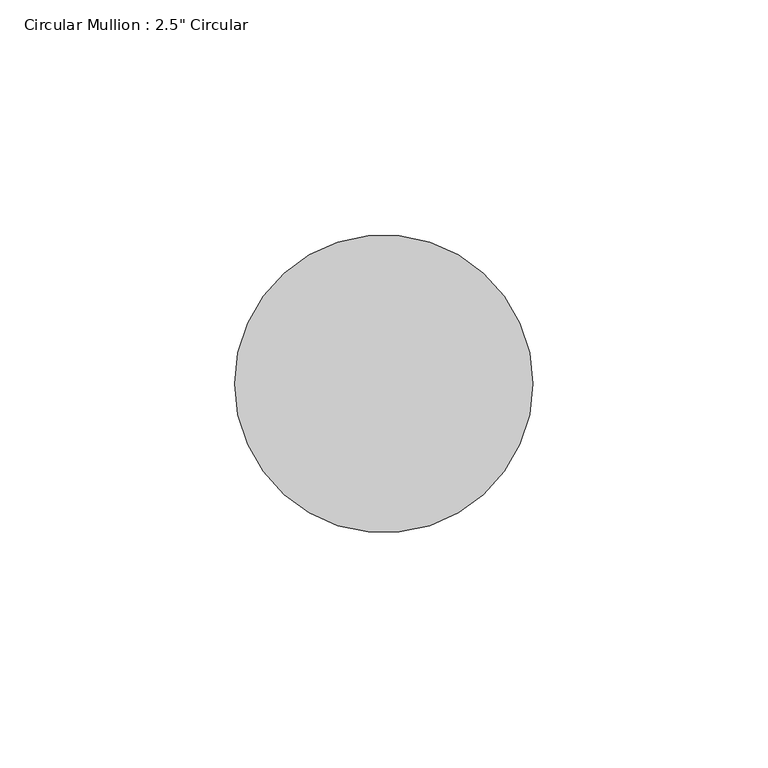
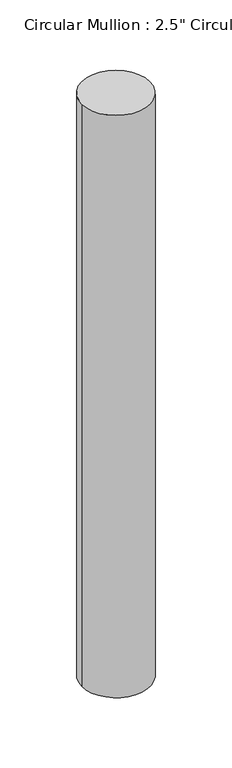
"""IFC4 building model written with IfcOpenShell, lengths in millimetres: member geometry."""

from ifc_helpers import new_model, si_unit, point, frame, frame_2d, origin, place, context, project, spatial, circle_curve, trimmed, segment, composite_curve, outline, extrude, source, transform, mapped, element, save


def member_8b79ebaa(model_context):
    return source(origin(), model_context, "Body", "SweptSolid", [
        extrude(outline(composite_curve([segment(trimmed(circle_curve(frame_2d((-31.75, 0.0)), 31.75), [point((0.0, 0.0))], [point((-63.5, 0.0))], False, "CARTESIAN"), True, "CONTINUOUS"), segment(trimmed(circle_curve(frame_2d((-31.75, 0.0)), 31.75), [point((-63.5, 0.0))], [point((0.0, 0.0))], False, "CARTESIAN"), True, "CONTINUOUS")], self_intersect=False)), frame((0.0, 0.0, -573.0), z_axis=(0.0, 0.0, 1.0), x_axis=(1.0, 0.0, 0.0)), (0.0, 0.0, 1.0), 573.0),
    ])


if __name__ == "__main__":
    model = new_model("IFC4")
    model_context = context("Model", 3, world=origin())
    ifc_project = project(units=[si_unit("LENGTHUNIT", "METRE", prefix="MILLI")], contexts=[model_context])
    site = spatial("IfcSite", under=ifc_project)
    building = spatial("IfcBuilding", under=site)
    placement = place(None, origin())
    member_shape = member_8b79ebaa(model_context)
    element("IfcMember", 1, ObjectType="Circular Mullion : 2.5\" Circular", at=placement, inside=building, context=model_context, shape_type="MappedRepresentation", body=[
        mapped(member_shape, transform((0.0, 0.0, 0.0), x_axis=(1.0, 0.0, 0.0), y_axis=(0.0, 1.0, 0.0), z_axis=(0.0, 0.0, 1.0))),
    ])
    save(model, "model.ifc")
